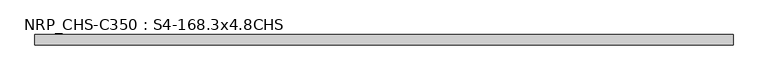
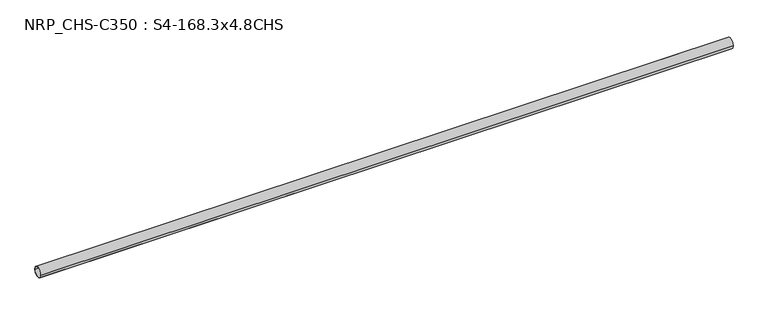
"""IFC4 building model written with IfcOpenShell, lengths in millimetres: beam geometry, NRP_CHS-C350 : S4-168.3x4.8CHS."""

from ifc_helpers import new_model, si_unit, point, frame, origin, origin_2d, place, context, project, spatial, circle_curve, trimmed, segment, composite_curve, outline, extrude, source, transform, mapped, element, save


def nrp_chs_c350_s4_168_3x4_8chs_0627c62e(model_context):
    return source(origin(), model_context, "Body", "SweptSolid", [
        extrude(outline(composite_curve([segment(trimmed(circle_curve(origin_2d(), 84.15), [point((84.15, 0.0))], [point((-84.15, 0.0))], False, "CARTESIAN"), True, "CONTINUOUS"), segment(trimmed(circle_curve(origin_2d(), 84.15), [point((-84.15, 0.0))], [point((84.15, 0.0))], False, "CARTESIAN"), True, "CONTINUOUS")], self_intersect=False), holes=[composite_curve([segment(trimmed(circle_curve(origin_2d(), 79.35), [point((-79.35, 0.0))], [point((79.35, 0.0))], True, "CARTESIAN"), True, "CONTINUOUS"), segment(trimmed(circle_curve(origin_2d(), 79.35), [point((79.35, 0.0))], [point((-79.35, 0.0))], True, "CARTESIAN"), True, "CONTINUOUS")], self_intersect=False)]), frame((-5637.2, 0.0, 0.0), z_axis=(1.0, 0.0, 0.0), x_axis=(0.0, 1.0, 0.0)), (0.0, 0.0, 1.0), 11141.1),
    ])


if __name__ == "__main__":
    model = new_model("IFC4")
    model_context = context("Model", 3, world=origin())
    ifc_project = project(units=[si_unit("LENGTHUNIT", "METRE", prefix="MILLI")], contexts=[model_context])
    site = spatial("IfcSite", under=ifc_project)
    building = spatial("IfcBuilding", under=site)
    placement = place(None, origin())
    nrp_chs_c350_s4_168_3x4_8chs_shape = nrp_chs_c350_s4_168_3x4_8chs_0627c62e(model_context)
    element("IfcBeam", 1, ObjectType="NRP_CHS-C350 : S4-168.3x4.8CHS", at=placement, inside=building, context=model_context, shape_type="MappedRepresentation", body=[
        mapped(nrp_chs_c350_s4_168_3x4_8chs_shape, transform((0.0, 0.0, 0.0), x_axis=(1.0, 0.0, 0.0), y_axis=(0.0, 1.0, 0.0), z_axis=(0.0, 0.0, 1.0))),
    ])
    save(model, "model.ifc")
